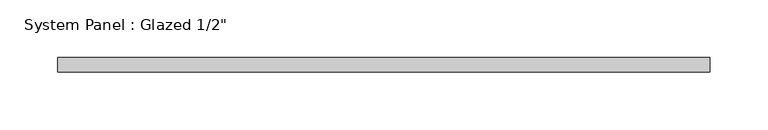
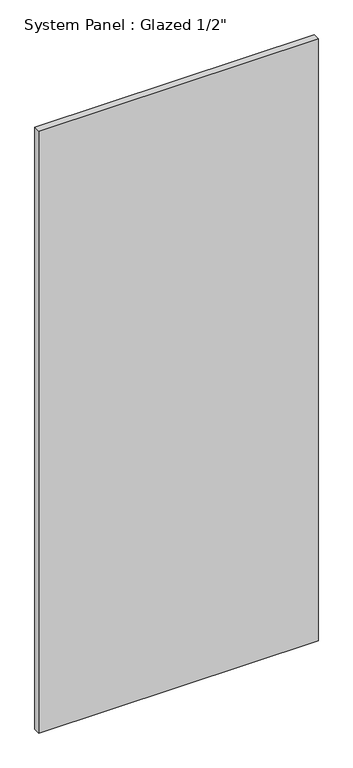
"""IFC4 building model written with IfcOpenShell, lengths in millimetres: plate geometry."""

from ifc_helpers import new_model, si_unit, origin, origin_with_axes, place, context, project, spatial, polyline, outline, extrude, source, transform, mapped, element, save


def plate_fd251983(model_context):
    return source(origin(), model_context, "Body", "SweptSolid", [
        extrude(outline(polyline([(283.3254402, -6.35), (-283.3254402, -6.35), (-283.3254402, 6.35), (283.3254402, 6.35), (283.3254402, -6.35)])), origin_with_axes(), (0.0, 0.0, 1.0), 1290.1649297),
    ])


if __name__ == "__main__":
    model = new_model("IFC4")
    model_context = context("Model", 3, world=origin())
    ifc_project = project(units=[si_unit("LENGTHUNIT", "METRE", prefix="MILLI")], contexts=[model_context])
    site = spatial("IfcSite", under=ifc_project)
    building = spatial("IfcBuilding", under=site)
    placement = place(None, origin())
    plate_shape = plate_fd251983(model_context)
    element("IfcPlate", 1, ObjectType="System Panel : Glazed 1/2\"", at=placement, inside=building, context=model_context, shape_type="MappedRepresentation", body=[
        mapped(plate_shape, transform((0.0, 0.0, 0.0), x_axis=(1.0, 0.0, 0.0), y_axis=(0.0, 1.0, 0.0), z_axis=(0.0, 0.0, 1.0))),
    ])
    save(model, "model.ifc")
